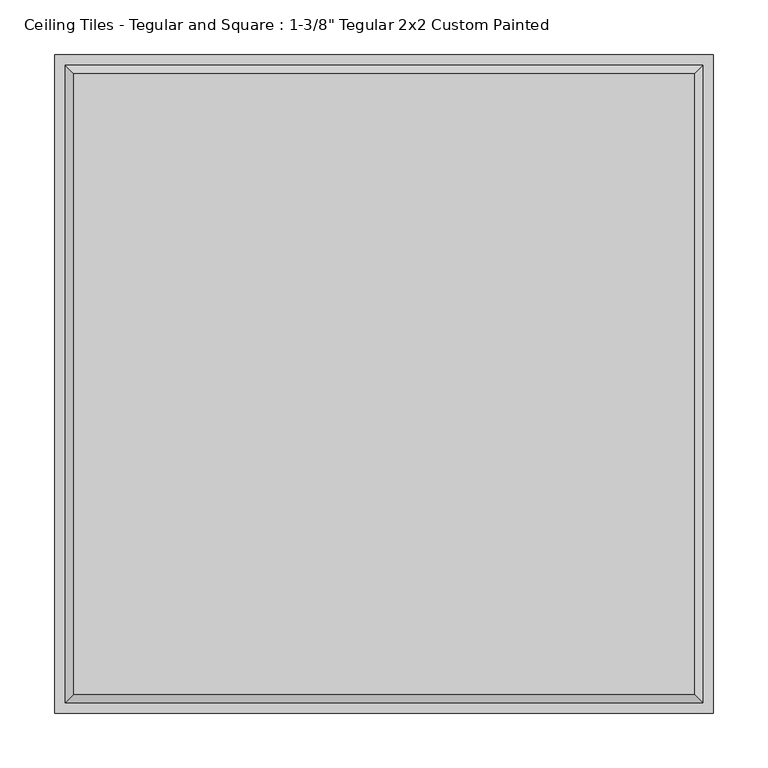
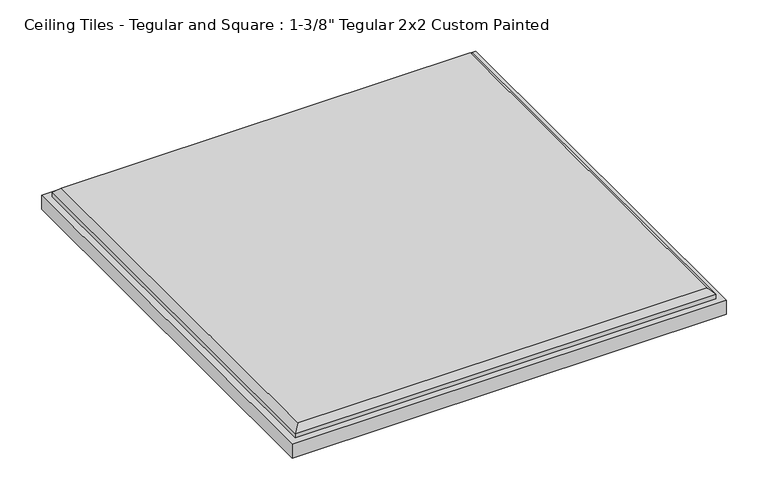
"""IFC4 building model written with IfcOpenShell, lengths in millimetres: proxy geometry."""

from ifc_helpers import new_model, si_unit, origin, place, context, project, spatial, faceted_brep, source, transform, mapped, element, save


def proxy_cef8a5c3(model_context):
    return source(origin(), model_context, "Body", "Brep", [
        faceted_brep([(284.099, 284.099, 34.925), (-284.099, 284.099, 34.925), (-284.099, -284.099, 34.925), (284.099, -284.099, 34.925), (-301.625, 301.625, 0.0), (301.625, 301.625, 0.0), (301.625, -301.625, 0.0), (-301.625, -301.625, 0.0), (-301.625, -301.625, 20.6375), (-301.625, 301.625, 20.6375), (301.625, -301.625, 20.6375), (301.625, 301.625, 20.6375), (292.1, 292.1, 26.924), (-292.1, 292.1, 26.924), (-292.1, -292.1, 26.924), (292.1, -292.1, 26.924), (292.1, 292.1, 20.6375), (-292.1, 292.1, 20.6375), (-292.1, -292.1, 20.6375), (292.1, -292.1, 20.6375)], [[[0, 1, 2, 3]], [[4, 5, 6, 7]], [[4, 7, 8, 9]], [[7, 6, 10, 8]], [[6, 5, 11, 10]], [[5, 4, 9, 11]], [[12, 13, 1, 0]], [[1, 13, 14, 2]], [[2, 14, 15, 3]], [[12, 0, 3, 15]], [[16, 17, 13, 12]], [[13, 17, 18, 14]], [[14, 18, 19, 15]], [[16, 12, 15, 19]], [[9, 8, 10, 11], [17, 16, 19, 18]]]),
    ])


if __name__ == "__main__":
    model = new_model("IFC4")
    model_context = context("Model", 3, world=origin())
    ifc_project = project(units=[si_unit("LENGTHUNIT", "METRE", prefix="MILLI")], contexts=[model_context])
    site = spatial("IfcSite", under=ifc_project)
    building = spatial("IfcBuilding", under=site)
    placement = place(None, origin())
    proxy_shape = proxy_cef8a5c3(model_context)
    element("IfcBuildingElementProxy", 1, Name="Ceiling Tiles - Tegular and Square : 1-3/8\" Tegular 2x2 Custom Painted", ObjectType="Ceiling Tiles - Tegular and Square : 1-3/8\" Tegular 2x2 Custom Painted", at=placement, inside=building, context=model_context, shape_type="MappedRepresentation", body=[
        mapped(proxy_shape, transform((0.0, 0.0, 0.0), x_axis=(1.0, 0.0, 0.0), y_axis=(0.0, 1.0, 0.0), z_axis=(0.0, 0.0, 1.0))),
    ])
    save(model, "model.ifc")
